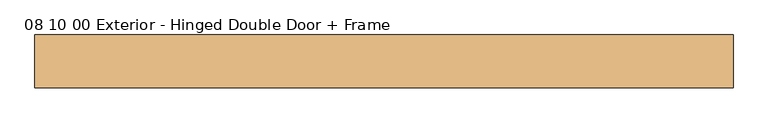
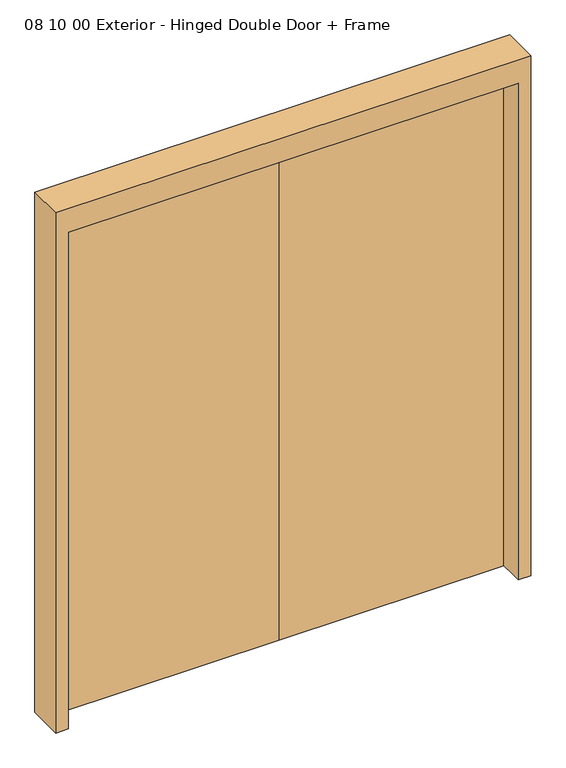
"""IFC4 building model written with IfcOpenShell, lengths in millimetres: door geometry, 08 10 00 Exterior - Hinged Double Door + Frame."""

from ifc_helpers import new_model, si_unit, frame, origin, origin_with_axes, place, context, project, spatial, polyline, outline, extrude, source, transform, mapped, element, save


def door_08_10_00_exterior_hinged_double_door_frame_705eed9c(model_context):
    return source(origin(), model_context, "Body", "SweptSolid", [
        extrude(outline(polyline([(0.0, 965.2), (2235.2, 965.2), (2235.2, -965.2), (0.0, -965.2), (0.0, -914.4), (2133.6, -914.4), (2133.6, 914.4), (0.0, 914.4), (0.0, 965.2)])), frame((0.0, 69.85, 0.0), z_axis=(0.0, 1.0, 0.0), x_axis=(0.0, 0.0, 1.0)), (0.0, 0.0, 1.0), 146.05),
        extrude(outline(polyline([(-914.4, 171.45), (-914.4, 215.9), (0.0, 215.9), (0.0, 171.45), (-914.4, 171.45)])), origin_with_axes(), (0.0, 0.0, 1.0), 2133.6),
        extrude(outline(polyline([(914.4, 171.45), (0.0, 171.45), (0.0, 215.9), (914.4, 215.9), (914.4, 171.45)])), origin_with_axes(), (0.0, 0.0, 1.0), 2133.6),
    ])


if __name__ == "__main__":
    model = new_model("IFC4")
    model_context = context("Model", 3, world=origin())
    ifc_project = project(units=[si_unit("LENGTHUNIT", "METRE", prefix="MILLI")], contexts=[model_context])
    site = spatial("IfcSite", under=ifc_project)
    building = spatial("IfcBuilding", under=site)
    placement = place(None, origin())
    door_08_10_00_exterior_hinged_double_door_frame_shape = door_08_10_00_exterior_hinged_double_door_frame_705eed9c(model_context)
    element("IfcDoor", 1, ObjectType="08 10 00 Exterior - Hinged Double Door + Frame", at=placement, inside=building, context=model_context, shape_type="MappedRepresentation", body=[
        mapped(door_08_10_00_exterior_hinged_double_door_frame_shape, transform((0.0, 0.0, 0.0), x_axis=(1.0, 0.0, 0.0), y_axis=(0.0, 1.0, 0.0), z_axis=(0.0, 0.0, 1.0))),
    ])
    save(model, "model.ifc")
